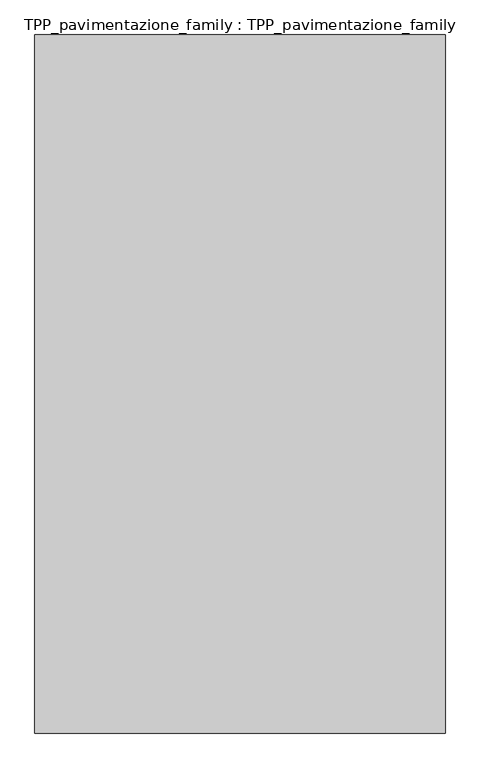
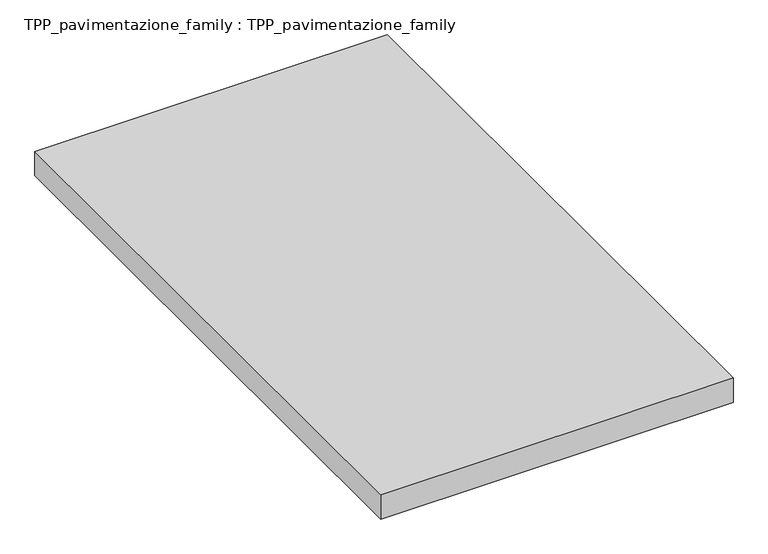
"""IFC4 building model written with IfcOpenShell, lengths in millimetres: proxy geometry, TPP_pavimentazione_family : TPP_pavimentazione_family."""

import ifcopenshell
import ifcopenshell.guid

model = None  # the IFC model being written
_history = None  # IfcOwnerHistory: only IFC2X3 demands one
_inside = {}  # id of a spatial element -> (the spatial element, [elements in it])
_under = {}  # id of a project, library or spatial element -> (it, [spatial elements below it])
_declared = {}  # id of a project -> (the project, [libraries it declares])
_typed = {}  # id of a type object -> (the type object, [elements of that type])
_made_of = {}  # id of a material, layer set ... -> (it, [elements and type objects made of it])


def new_model(schema):
    """Start an empty IFC model of exactly this schema.

    Asked for "IFC4X3", IfcOpenShell would pick the latest addendum, in which some entities
    have other attributes; the version numbers below select the first issue.
    IFC2X3 requires an IfcOwnerHistory on every rooted entity: one is made here for all.
    """
    global model, _history
    if schema == "IFC4X3":
        model = ifcopenshell.file(schema_version=(4, 3, 0, 0))
    else:
        model = ifcopenshell.file(schema=schema)
    _inside.clear()
    _under.clear()
    _declared.clear()
    _typed.clear()
    _made_of.clear()
    _history = None
    if model.schema == "IFC2X3":
        org = make("IfcOrganization", Name="unknown")
        user = make(
            "IfcPersonAndOrganization",
            ThePerson=make("IfcPerson", FamilyName="unknown"),
            TheOrganization=org,
        )
        app = make(
            "IfcApplication",
            ApplicationDeveloper=org,
            Version="unknown",
            ApplicationFullName="unknown",
            ApplicationIdentifier="unknown",
        )
        _history = make(
            "IfcOwnerHistory",
            OwningUser=user,
            OwningApplication=app,
            ChangeAction="ADDED",
            CreationDate=0,
        )
    return model


def make(cls, **values):
    """One entity of the class cls with the attributes given. An attribute that is None is left unset."""
    return model.create_entity(
        cls, **{name: value for name, value in values.items() if value is not None}
    )


def rooted(cls, **values):
    """An entity with a GlobalId (a new one), such as an element, a storey or a relation."""
    return make(cls, GlobalId=ifcopenshell.guid.new(), OwnerHistory=_history, **values)


def si_unit(unit_type, name, prefix=None):
    """IfcSIUnit, for example si_unit("LENGTHUNIT", "METRE", prefix="MILLI")."""
    return make("IfcSIUnit", UnitType=unit_type, Prefix=prefix, Name=name)


def assignment(units):
    """IfcUnitAssignment: the units of a project."""
    return None if units is None else make("IfcUnitAssignment", Units=units)


def point(xyz):
    """IfcCartesianPoint."""
    return None if xyz is None else make("IfcCartesianPoint", Coordinates=xyz)


def direction(xyz):
    """IfcDirection."""
    return None if xyz is None else make("IfcDirection", DirectionRatios=xyz)


def frame(location, z_axis=None, x_axis=None):
    """IfcAxis2Placement3D, a coordinate frame: its origin and axes. An axis left out is left unset."""
    return make(
        "IfcAxis2Placement3D",
        Location=point(location),
        Axis=direction(z_axis),
        RefDirection=direction(x_axis),
    )


def origin():
    """The frame at (0, 0, 0) with its axes left unset."""
    return frame((0.0, 0.0, 0.0))


def origin_with_axes():
    """The frame at (0, 0, 0) with the z axis (0, 0, 1) and the x axis (1, 0, 0) written out."""
    return frame((0.0, 0.0, 0.0), z_axis=(0.0, 0.0, 1.0), x_axis=(1.0, 0.0, 0.0))


def place(relative_to, where):
    """IfcLocalPlacement: puts the frame where relative to a parent placement (None: the world)."""
    return make(
        "IfcLocalPlacement", PlacementRelTo=relative_to, RelativePlacement=where
    )


def context(
    kind, dimensions, precision=None, world=None, true_north=None, identifier=None
):
    """IfcGeometricRepresentationContext, for example the 3D "Model" context."""
    return make(
        "IfcGeometricRepresentationContext",
        ContextIdentifier=identifier,
        ContextType=kind,
        CoordinateSpaceDimension=dimensions,
        Precision=precision,
        WorldCoordinateSystem=world,
        TrueNorth=true_north,
    )


def project(units=None, contexts=None):
    """IfcProject with its units and contexts."""
    return rooted(
        "IfcProject",
        Name="project",
        RepresentationContexts=contexts,
        UnitsInContext=assignment(units),
    )


def spatial(cls, under=None, at=None, **own):
    """A site, building, storey or space (cls), placed at a placement, below another one or the project."""
    s = rooted(cls, ObjectPlacement=at, **own)
    if under is not None:
        _under.setdefault(under.id(), (under, []))[1].append(s)
    return s


def polyline(points):
    """IfcPolyline through the points."""
    return make("IfcPolyline", Points=[point(p) for p in points])


def outline(outer, holes=None, kind="AREA"):
    """IfcArbitraryClosedProfileDef: a profile drawn as a closed curve; with holes, ...WithVoids."""
    if holes is None:
        return make("IfcArbitraryClosedProfileDef", ProfileType=kind, OuterCurve=outer)
    return make(
        "IfcArbitraryProfileDefWithVoids",
        ProfileType=kind,
        OuterCurve=outer,
        InnerCurves=holes,
    )


def extrude(swept, where, along, depth):
    """IfcExtrudedAreaSolid: the profile swept, set in the frame where, extruded along a direction by depth."""
    return make(
        "IfcExtrudedAreaSolid",
        SweptArea=swept,
        Position=where,
        ExtrudedDirection=direction(along),
        Depth=depth,
    )


def shape(context_of_items, identifier, shape_type, items):
    """IfcShapeRepresentation: the items that make up one representation, for example the "Body"."""
    return make(
        "IfcShapeRepresentation",
        ContextOfItems=context_of_items,
        RepresentationIdentifier=identifier,
        RepresentationType=shape_type,
        Items=items,
    )


def source(mapping_origin, context_of_items, identifier, shape_type, items):
    """IfcRepresentationMap: a shape defined once, which mapped items show again and again."""
    return make(
        "IfcRepresentationMap",
        MappingOrigin=mapping_origin,
        MappedRepresentation=shape(context_of_items, identifier, shape_type, items),
    )


def transform(
    local_origin,
    x_axis=None,
    y_axis=None,
    z_axis=None,
    scale=None,
    scale2=None,
    scale3=None,
    uniform=True,
):
    """IfcCartesianTransformationOperator3D, or its non-uniform kind. x_axis, y_axis, z_axis: its Axis1, 2, 3."""
    if uniform:
        return make(
            "IfcCartesianTransformationOperator3D",
            Axis1=direction(x_axis),
            Axis2=direction(y_axis),
            LocalOrigin=point(local_origin),
            Scale=scale,
            Axis3=direction(z_axis),
        )
    return make(
        "IfcCartesianTransformationOperator3DnonUniform",
        Axis1=direction(x_axis),
        Axis2=direction(y_axis),
        LocalOrigin=point(local_origin),
        Scale=scale,
        Axis3=direction(z_axis),
        Scale2=scale2,
        Scale3=scale3,
    )


def mapped(mapping_source, mapping_target):
    """IfcMappedItem: shows the shape of a source again, moved by a transform."""
    return make(
        "IfcMappedItem", MappingSource=mapping_source, MappingTarget=mapping_target
    )


def made_of(thing, what):
    """Note that an element or type object is made of a material, layer set ...; save() writes the relation."""
    if what is not None:
        _made_of.setdefault(what.id(), (what, []))[1].append(thing)
    return thing


def element(
    cls,
    number,
    at=None,
    inside=None,
    cuts=None,
    type_object=None,
    material=None,
    context=None,
    identifier="Body",
    shape_type=None,
    held_by="IfcProductDefinitionShape",
    body=None,
    shapes=None,
    **own,
):
    """One element of the class cls, such as IfcWall. Its Tag is "e" and its number.

    at: its placement. inside: the storey or other place that contains it. cuts: it is an
    opening in that element (IfcRelVoidsElement). A single representation is given by context,
    identifier, shape_type and body (its items); several are given by shapes. held_by: the class
    of the entity that holds the representations. save() writes the other relations.
    """
    e = rooted(cls, Tag="e%d" % number, ObjectPlacement=at, **own)
    if body is not None:
        shapes = [shape(context, identifier, shape_type, body)]
    if shapes is not None:
        e.Representation = make(held_by, Representations=shapes)
    if inside is not None:
        _inside.setdefault(inside.id(), (inside, []))[1].append(e)
    if cuts is not None:
        rooted(
            "IfcRelVoidsElement", RelatingBuildingElement=cuts, RelatedOpeningElement=e
        )
    if type_object is not None:
        _typed.setdefault(type_object.id(), (type_object, []))[1].append(e)
    return made_of(e, material)


def aggregate(whole, parts):
    """IfcRelAggregates: a whole, such as a stair, and the parts it consists of."""
    return rooted("IfcRelAggregates", RelatingObject=whole, RelatedObjects=parts)


def save(model, path):
    """Write the relations noted so far, then the file.

    IfcRelAggregates (storeys below a building ...), IfcRelContainedInSpatialStructure (elements
    in a storey), IfcRelDefinesByType, IfcRelAssociatesMaterial and IfcRelDeclares: one each for
    every whole, place, type object, material and project.
    """
    for whole, parts in _under.values():
        aggregate(whole, parts)
    for where, things in _inside.values():
        rooted(
            "IfcRelContainedInSpatialStructure",
            RelatedElements=things,
            RelatingStructure=where,
        )
    for kind, things in _typed.values():
        rooted("IfcRelDefinesByType", RelatedObjects=things, RelatingType=kind)
    for what, things in _made_of.values():
        rooted("IfcRelAssociatesMaterial", RelatedObjects=things, RelatingMaterial=what)
    for by, libraries in _declared.values():
        rooted("IfcRelDeclares", RelatingContext=by, RelatedDefinitions=libraries)
    model.write(path)


def tpp_pavimentazione_family_tpp_pavimentazione_family_d32865f1(model_context):
    return source(origin(), model_context, "Body", "SweptSolid", [
        extrude(outline(polyline([(511.8146187, 354.2201026), (511.8146187, -806.3133328), (-170.7748192, -806.3133328), (-170.7748192, 354.2201026), (511.8146187, 354.2201026)])), origin_with_axes(), (0.0, 0.0, 1.0), 50.0),
    ])


if __name__ == "__main__":
    model = new_model("IFC4")
    model_context = context("Model", 3, world=origin())
    ifc_project = project(units=[si_unit("LENGTHUNIT", "METRE", prefix="MILLI")], contexts=[model_context])
    site = spatial("IfcSite", under=ifc_project)
    building = spatial("IfcBuilding", under=site)
    placement = place(None, origin())
    tpp_pavimentazione_family_tpp_pavimentazione_family_shape = tpp_pavimentazione_family_tpp_pavimentazione_family_d32865f1(model_context)
    element("IfcBuildingElementProxy", 1, Name="TPP_pavimentazione_family : TPP_pavimentazione_family", ObjectType="TPP_pavimentazione_family : TPP_pavimentazione_family", at=placement, inside=building, context=model_context, shape_type="MappedRepresentation", body=[
        mapped(tpp_pavimentazione_family_tpp_pavimentazione_family_shape, transform((0.0, 0.0, 0.0), x_axis=(1.0, 0.0, 0.0), y_axis=(0.0, 1.0, 0.0), z_axis=(0.0, 0.0, 1.0))),
    ])
    save(model, "model.ifc")
